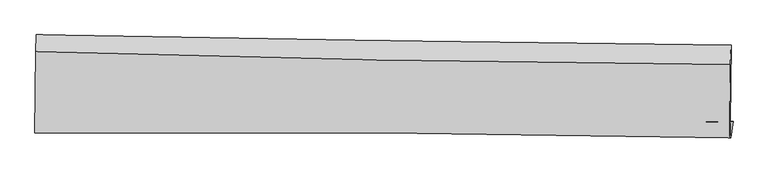
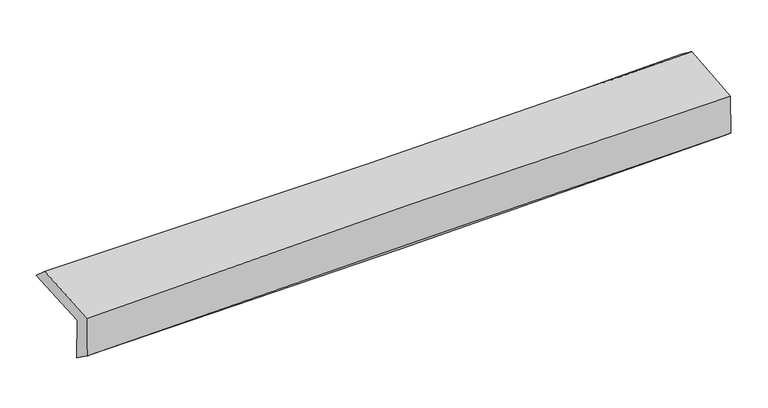
"""IFC4 building model written with IfcOpenShell, lengths in millimetres: proxy geometry."""

from ifc_helpers import new_model, si_unit, frame, origin, place, context, project, spatial, source, transform, mapped, element, save
from ifc_brep_helpers import plane_surface, spline_curve, spline_surface, advanced_brep


def generic_models_9d6fb441(model_context):
    return source(origin(), model_context, "Body", "AdvancedBrep", [
        advanced_brep(
        [(-3027.7211164, -1763.5195923, 1949.5143643), (-3020.8645116, -1084.3855461, 1983.1288591), (3011.7152734, -1172.1010027, 2131.1227968), (3004.4292398, -1843.7057693, 2117.8988057), (-3017.6713702, -1744.3473288, 1560.1155624), (3029.5682023, -1840.2178206, 1718.1465374), (-3022.9931226, -1921.0131914, 1691.496124), (3009.9530197, -1980.1643195, 1837.8159736), (-3033.0428688, -1940.1854548, 2080.8949259), (3000.4759602, -1983.8766647, 2211.4807317), (-3025.8837667, -1231.0896124, 2115.9924131), (3006.3462689, -1345.2045291, 2265.9754685)],
        [
            (0, 1),
            (1, 2, spline_curve(3, [(-3020.8645116, -1084.3855461, 1983.1288591), (-2014.409533657, -1102.292453601, 1981.9417676), (-1008.671546671, -1118.553222133, 1993.670762765), (1002.18955117, -1147.794392185, 2042.981013505), (2007.311492296, -1160.772109234, 2080.583330647), (3011.7152734, -1172.1010027, 2131.1227968)], [4, 2, 4], [0.0, 9.896670989065989, 19.8014078968135])),
            (2, 3),
            (3, 0, spline_curve(3, [(3004.4292398, -1843.7057693, 2117.8988057), (2000.091227469, -1818.452772257, 2071.011340514), (995.037972376, -1799.143790921, 2033.533686783), (-1015.679977787, -1772.424742034, 1977.420859054), (-2021.343507662, -1765.004998164, 1958.770365715), (-3027.7211164, -1763.5195923, 1949.5143643)], [4, 2, 4], [0.0, 9.904736907747512, 19.8014078968135])),
            (4, 0),
            (3, 5),
            (5, 4, spline_curve(3, [(3029.5682023, -1840.2178206, 1718.1465374), (2017.725100666, -1817.26691633, 1670.272069032), (1007.662369943, -1797.800420878, 1633.164606713), (-1008.081255792, -1765.849262928, 1580.505143828), (-2013.765049058, -1753.358927718, 1564.93561465), (-3017.6713702, -1744.3473288, 1560.1155624)], [4, 2, 4], [0.0, 9.916943192463568, 19.82581052606236])),
            (6, 4),
            (5, 7),
            (7, 6, spline_curve(3, [(3009.9530197, -1980.1643195, 1837.8159736), (2005.247343417, -1958.231780729, 1803.997580902), (999.943961127, -1942.336701081, 1774.892015941), (-1011.039059364, -1922.629487469, 1726.126405475), (-2016.717724571, -1918.807524494, 1706.458687141), (-3022.9931226, -1921.0131914, 1691.496124)], [4, 2, 4], [0.0, 9.916686015488416, 19.825296381544025])),
            (8, 6),
            (7, 9),
            (9, 8, spline_curve(3, [(3000.4759602, -1983.8766647, 2211.4807317), (1995.511123344, -1960.024361896, 2188.788858098), (990.030451178, -1944.459167462, 2166.556524895), (-1021.14333191, -1929.908922844, 2123.02867137), (-2026.835602571, -1930.91038043, 2101.732402434), (-3033.0428688, -1940.1854548, 2080.8949259)], [4, 2, 4], [0.0, 9.904315337364274, 19.800565099352703])),
            (10, 8),
            (9, 11),
            (11, 10, spline_curve(3, [(3006.3462689, -1345.2045291, 2265.9754685), (2001.48491927, -1335.774277906, 2232.704566885), (996.163456439, -1321.5437477, 2203.56712002), (-1014.580638, -1283.497627432, 2153.579497772), (-2020.002520402, -1259.689851709, 2132.722592843), (-3025.8837667, -1231.0896124, 2115.9924131)], [4, 2, 4], [0.0, 9.904042426089074, 19.800019499047494])),
            (1, 10),
            (11, 2),
            (7, 3),
        ],
        [
            spline_surface(3, 3, [[(-3027.7211164, -1763.5195923, 1949.5143643), (-2021.34350767, -1765.004998076, 1958.770365734), (-1015.679977624, -1772.424742176, 1977.420859114), (995.037972213, -1799.143790779, 2033.533686723), (2000.091227576, -1818.452772331, 2071.011340501), (3004.4292398, -1843.7057693, 2117.8988057)], [(-3025.435581477, -1537.141576898, 1960.719195879), (-2019.032182977, -1544.100816628, 1966.494166334), (-1013.34383393, -1554.467568865, 1982.837493708), (997.421831805, -1582.027324566, 2036.682795591), (2002.497982482, -1599.225884607, 2074.202003862), (3006.857917667, -1619.837513778, 2122.306802737)], [(-3023.150046523, -1310.763561502, 1971.924027521), (-2016.720858252, -1323.196635184, 1974.217966998), (-1011.00769021, -1336.510395521, 1988.254128324), (999.805691423, -1364.91085832, 2039.831904483), (2004.904737387, -1379.99899685, 2077.392667213), (3009.286595533, -1395.969258222, 2126.714799763)], [(-3020.8645116, -1084.3855461, 1983.1288591), (-2014.409533559, -1102.292453736, 1981.941767599), (-1008.671546516, -1118.55322221, 1993.670762918), (1002.189551014, -1147.794392108, 2042.981013352), (2007.311492293, -1160.772109126, 2080.583330574), (3011.7152734, -1172.1010027, 2131.1227968)]], [4, 4], [4, 2, 4], [0.0, 2.1416477946891437], [0.0, 9.896670989065989, 19.8014078968135]),
            spline_surface(3, 3, [[(-3017.6713702, -1744.3473288, 1560.1155624), (-2013.765049147, -1753.358927767, 1564.935614716), (-1008.081255748, -1765.84926298, 1580.505143982), (1007.662369899, -1797.800420826, 1633.164606559), (2017.725100692, -1817.266916234, 1670.272068991), (3029.5682023, -1840.2178206, 1718.1465374)], [(-3021.021285602, -1750.738083277, 1689.915163031), (-2016.29120199, -1757.24095118, 1696.213865053), (-1010.614163032, -1768.041089362, 1712.810382366), (1003.454237345, -1798.248210794, 1766.620966621), (2011.847142993, -1817.662201594, 1803.851826162), (3021.18854814, -1841.380470162, 1851.397293501)], [(-3024.371200998, -1757.128837823, 1819.714763669), (-2018.817354827, -1761.122974663, 1827.492115397), (-1013.14707034, -1770.232915794, 1845.115620729), (999.246104767, -1798.696000811, 1900.077326661), (2005.969185275, -1818.05748697, 1937.43158333), (3012.80889396, -1842.543119738, 1984.648049599)], [(-3027.7211164, -1763.5195923, 1949.5143643), (-2021.34350767, -1765.004998076, 1958.770365734), (-1015.679977624, -1772.424742176, 1977.420859114), (995.037972213, -1799.143790779, 2033.533686723), (2000.091227576, -1818.452772331, 2071.011340501), (3004.4292398, -1843.7057693, 2117.8988057)]], [4, 4], [4, 2, 4], [0.0, 1.3083717499367542], [0.0, 9.90886733359879, 19.82581052606236]),
            spline_surface(3, 3, [[(-3022.9931226, -1921.0131914, 1691.496124), (-2016.717724691, -1918.807524489, 1706.458687209), (-1011.039059376, -1922.629487521, 1726.126405435), (999.943961139, -1942.336701029, 1774.892015981), (2005.247343266, -1958.231780679, 1803.997580955), (3009.9530197, -1980.1643195, 1837.8159736)], [(-3021.219205135, -1862.124570558, 1647.702603463), (-2015.733499512, -1863.657992273, 1659.284329707), (-1010.053124844, -1870.369412691, 1677.585984944), (1002.516764048, -1894.157940978, 1727.649546167), (2009.406595731, -1911.243492536, 1759.422410282), (3016.491413889, -1933.515486539, 1797.926161514)], [(-3019.445287665, -1803.235949642, 1603.909082937), (-2014.749274326, -1808.508459983, 1612.109972217), (-1009.06719028, -1818.109337809, 1629.045564473), (1005.089566989, -1845.979180876, 1680.407076373), (2013.565848227, -1864.255204377, 1714.847239665), (3023.029808111, -1886.866653561, 1758.036349486)], [(-3017.6713702, -1744.3473288, 1560.1155624), (-2013.765049147, -1753.358927767, 1564.935614716), (-1008.081255748, -1765.84926298, 1580.505143982), (1007.662369899, -1797.800420826, 1633.164606559), (2017.725100692, -1817.266916234, 1670.272068991), (3029.5682023, -1840.2178206, 1718.1465374)]], [4, 4], [4, 2, 4], [0.0, 0.6832248113402893], [0.0, 9.908610366055608, 19.825296381544025]),
            spline_surface(3, 3, [[(-3033.0428688, -1940.1854548, 2080.8949259), (-2026.835602416, -1930.910380362, 2101.732402293), (-1021.143331765, -1929.908922687, 2123.02867125), (990.030451033, -1944.459167619, 2166.556525015), (1995.511123383, -1960.024361907, 2188.78885803), (3000.4759602, -1983.8766647, 2211.4807317)], [(-3029.692953398, -1933.794700323, 1951.095325269), (-2023.462976506, -1926.87609506, 1969.974497267), (-1017.775240982, -1927.482444302, 1990.727915962), (993.334954389, -1943.751678759, 2036.001688655), (1998.756530009, -1959.42683482, 2060.525099026), (3003.634980031, -1982.639216289, 2086.925812354)], [(-3026.343038002, -1927.403945877, 1821.295724631), (-2020.090350601, -1922.84180979, 1838.216592235), (-1014.407150159, -1925.055965906, 1858.427160723), (996.639457784, -1943.044189889, 1905.446852342), (2002.00193664, -1958.829307766, 1932.261339959), (3006.793999869, -1981.401767911, 1962.370892946)], [(-3022.9931226, -1921.0131914, 1691.496124), (-2016.717724691, -1918.807524489, 1706.458687209), (-1011.039059376, -1922.629487521, 1726.126405435), (999.943961139, -1942.336701029, 1774.892015981), (2005.247343266, -1958.231780679, 1803.997580955), (3009.9530197, -1980.1643195, 1837.8159736)]], [4, 4], [4, 2, 4], [0.0, 1.2940822090049537], [0.0, 9.896249761988429, 19.800565099352703]),
            spline_surface(3, 3, [[(-3025.8837667, -1231.0896124, 2115.9924131), (-2020.002520263, -1259.689851824, 2132.722592766), (-1014.580637927, -1283.497627276, 2153.579497696), (996.163456365, -1321.543747856, 2203.567120095), (2001.484919206, -1335.774277998, 2232.704566941), (3006.3462689, -1345.2045291, 2265.9754685)], [(-3028.270134046, -1467.454893187, 2104.293250716), (-2022.280214294, -1483.43002799, 2122.392529291), (-1016.76820251, -1498.968059063, 2143.395888901), (994.119121285, -1529.182221094, 2191.230255089), (1999.493653941, -1543.857639311, 2218.065997289), (3004.389499342, -1558.095240977, 2247.810556219)], [(-3030.656501454, -1703.820174013, 2092.594088284), (-2024.557908386, -1707.170204195, 2112.062465768), (-1018.955767182, -1714.4384909, 2133.212280045), (992.074786114, -1736.820694381, 2178.893390022), (1997.502388648, -1751.941000594, 2203.427427681), (3002.432729758, -1770.985952823, 2229.645643981)], [(-3033.0428688, -1940.1854548, 2080.8949259), (-2026.835602416, -1930.910380362, 2101.732402293), (-1021.143331765, -1929.908922687, 2123.02867125), (990.030451033, -1944.459167619, 2166.556525015), (1995.511123383, -1960.024361907, 2188.78885803), (3000.4759602, -1983.8766647, 2211.4807317)]], [4, 4], [4, 2, 4], [0.0, 2.0852494044528203], [0.0, 9.89597707295842, 19.800019499047494]),
            spline_surface(3, 3, [[(-3020.8645116, -1084.3855461, 1983.1288591), (-2014.409533559, -1102.292453736, 1981.941767599), (-1008.671546516, -1118.55322221, 1993.670762918), (1002.189551014, -1147.794392108, 2042.981013352), (2007.311492293, -1160.772109126, 2080.583330574), (3011.7152734, -1172.1010027, 2131.1227968)], [(-3022.537596642, -1133.286901557, 2027.416710442), (-2016.273862469, -1154.758253122, 2032.202042663), (-1010.641243658, -1173.534690566, 2046.973674514), (1000.180852793, -1205.710844025, 2096.509715603), (2005.369301261, -1219.106165406, 2131.290409371), (3009.925605231, -1229.802178157, 2176.073687375)], [(-3024.210681658, -1182.188256943, 2071.704561758), (-2018.138191353, -1207.224052437, 2082.462317701), (-1012.610940785, -1228.516158919, 2100.276586101), (998.172154587, -1263.627295939, 2150.038417844), (2003.427110238, -1277.440221717, 2181.997488144), (3008.135937069, -1287.503353643, 2221.024577925)], [(-3025.8837667, -1231.0896124, 2115.9924131), (-2020.002520263, -1259.689851824, 2132.722592766), (-1014.580637927, -1283.497627276, 2153.579497696), (996.163456365, -1321.543747856, 2203.567120095), (2001.484919206, -1335.774277998, 2232.704566941), (3006.3462689, -1345.2045291, 2265.9754685)]], [4, 4], [4, 2, 4], [0.0, 0.7651782112533586], [0.0, 9.896516744214551, 19.80109928139902]),
            plane_surface(frame((-3024.696126, -1614.090121, 1896.8570415), z_axis=(-0.9996170809408113, 0.011341518940575418, -0.02524007605956308), x_axis=(-0.01008324230740057, -0.9987265385366741, -0.049433080493972395))),
            plane_surface(frame((3006.5839524, -1665.0104571, 2112.8587553), z_axis=(0.9996170809407862, -0.011341518942918898, 0.02524007605950215), x_axis=(0.025353061681405203, 0.009931278551654524, -0.9996292272486377))),
            plane_surface(frame((3014.6501539, -1888.0293031, 1891.2871056), z_axis=(0.9943309981046684, -0.08654333113594936, 0.061774736292983454), x_axis=(0.1059266205930741, 0.7557441608745286, -0.6462432315729006))),
        ],
        [
            (0, [[1, 2, 3, 4]]),
            (1, [[5, -4, 6, 7]]),
            (2, [[8, -7, 9, 10]]),
            (3, [[11, -10, 12, 13]]),
            (4, [[14, -13, 15, 16]]),
            (5, [[17, -16, 18, -2]]),
            (6, [[-1, -5, -8, -11, -14, -17]]),
            (7, [[-12, 19, -3, -18, -15]]),
            (8, [[-9, -6, -19]]),
        ],
    ),
    ])


if __name__ == "__main__":
    model = new_model("IFC4")
    model_context = context("Model", 3, world=origin())
    ifc_project = project(units=[si_unit("LENGTHUNIT", "METRE", prefix="MILLI")], contexts=[model_context])
    site = spatial("IfcSite", under=ifc_project)
    building = spatial("IfcBuilding", under=site)
    placement = place(None, origin())
    generic_models_shape = generic_models_9d6fb441(model_context)
    element("IfcBuildingElementProxy", 1, Name="Generic Models", at=placement, inside=building, context=model_context, shape_type="MappedRepresentation", body=[
        mapped(generic_models_shape, transform((0.0, 0.0, 0.0), x_axis=(1.0, 0.0, 0.0), y_axis=(0.0, 1.0, 0.0), z_axis=(0.0, 0.0, 1.0))),
    ])
    save(model, "model.ifc")
